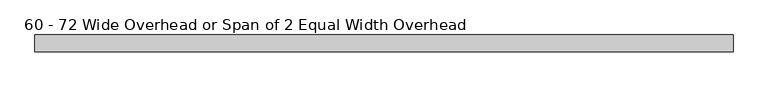
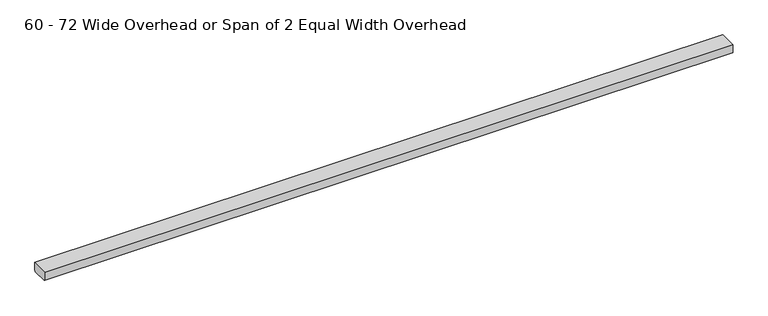
"""IFC4 building model written with IfcOpenShell, lengths in millimetres: furniture geometry, 60 - 72 Wide Overhead or Span of 2 Equal Width Overhead."""

from ifc_helpers import new_model, si_unit, origin, place, context, project, spatial, faceted_brep, source, transform, mapped, element, save


def furniture_60_72_wide_overhead_or_span_of_2_equal_width_021bd0ae(model_context):
    return source(origin(), model_context, "Body", "Brep", [
        faceted_brep([(1441.1575676, -211.8365428, 346.0749998), (1441.1575676, -211.8365428, 328.9554067), (1441.1575676, -211.3157759, 327.698164), (1441.1575676, -210.0585412, 327.1774003), (1441.1575676, -179.5785388, 327.1774003), (1441.1575676, -178.3213041, 327.698164), (1441.1575676, -177.800539, 328.9554023), (1441.1575676, -177.800539, 346.0749998), (44.6909676, -211.8365428, 346.0749998), (44.6909676, -177.800539, 346.0749998), (44.6909676, -177.800539, 328.9554023), (44.6909676, -178.3213041, 327.698164), (44.6909676, -179.5785388, 327.1774003), (44.6909676, -210.0585412, 327.1774003), (44.6909676, -211.3157759, 327.698164), (44.6909676, -211.8365428, 328.9554067), (270.0397676, -201.8035433, 327.1774003), (612.6743025, -201.8035433, 327.1774003), (612.6743025, -187.8335385, 327.1774003), (270.0397676, -187.8335385, 327.1774003), (873.1742328, -201.8035433, 327.1774003), (1215.8087676, -201.8035433, 327.1774003), (1215.8087676, -187.8335385, 327.1774003), (873.1742328, -187.8335385, 327.1774003), (270.0397676, -201.8035433, 329.9531597), (270.0397676, -187.8335385, 329.9531597), (612.6743025, -187.8335385, 329.9531597), (612.6743025, -201.8035433, 329.9531597), (1215.8087676, -201.8035433, 329.9531597), (873.1742328, -201.8035433, 329.9531597), (873.1742328, -187.8335385, 329.9531597), (1215.8087676, -187.8335385, 329.9531597)], [[[0, 1, 2, 3, 4, 5, 6, 7]], [[8, 9, 10, 11, 12, 13, 14, 15]], [[1, 0, 8, 15]], [[2, 1, 15, 14]], [[3, 2, 14, 13]], [[4, 3, 13, 12], [16, 17, 18, 19], [20, 21, 22, 23]], [[5, 4, 12, 11]], [[6, 5, 11, 10]], [[7, 6, 10, 9]], [[0, 7, 9, 8]], [[24, 25, 26, 27]], [[24, 27, 17, 16]], [[27, 26, 18, 17]], [[26, 25, 19, 18]], [[25, 24, 16, 19]], [[28, 29, 30, 31]], [[29, 28, 21, 20]], [[30, 29, 20, 23]], [[31, 30, 23, 22]], [[28, 31, 22, 21]]]),
    ])


if __name__ == "__main__":
    model = new_model("IFC4")
    model_context = context("Model", 3, world=origin())
    ifc_project = project(units=[si_unit("LENGTHUNIT", "METRE", prefix="MILLI")], contexts=[model_context])
    site = spatial("IfcSite", under=ifc_project)
    building = spatial("IfcBuilding", under=site)
    placement = place(None, origin())
    furniture_60_72_wide_overhead_or_span_of_2_equal_width_shape = furniture_60_72_wide_overhead_or_span_of_2_equal_width_021bd0ae(model_context)
    element("IfcFurniture", 1, ObjectType="60 - 72 Wide Overhead or Span of 2 Equal Width Overhead", at=placement, inside=building, context=model_context, shape_type="MappedRepresentation", body=[
        mapped(furniture_60_72_wide_overhead_or_span_of_2_equal_width_shape, transform((0.0, 0.0, 0.0), x_axis=(1.0, 0.0, 0.0), y_axis=(0.0, 1.0, 0.0), z_axis=(0.0, 0.0, 1.0))),
    ])
    save(model, "model.ifc")
